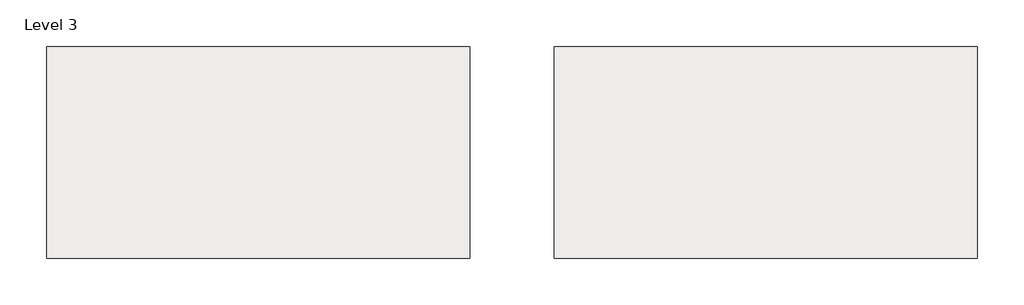
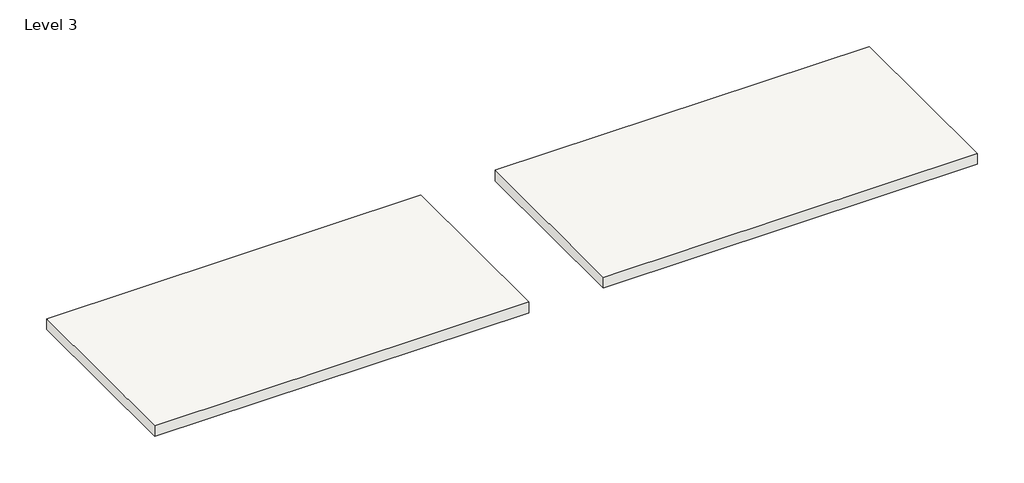
# One storey, part 2 of 2: 2 slabs.
"""IFC4 building model written with IfcOpenShell, lengths in millimetres."""

from ifc_helpers import new_model, si_unit, frame, origin, place, context, project, spatial, polyline, outline, extrude, element, save

model = new_model("IFC4")

# Units and contexts
model_context = context("Model", 3, world=origin())
ifc_project = project(units=[si_unit("LENGTHUNIT", "METRE", prefix="MILLI")], contexts=[model_context])

# Site, building, storey
site = spatial("IfcSite", under=ifc_project)
building = spatial("IfcBuilding", under=site)
storey = spatial("IfcBuildingStorey", under=building, Name="Level 3", Elevation=8000.0)

# Slabs
placement = place(None, origin())
element("IfcSlab", 1, ObjectType="Generic 300mm", at=placement, inside=storey, context=model_context, shape_type="SweptSolid", body=[
    extrude(outline(polyline([(-820.6583905, 5046.8134722), (9179.3416095, 5046.8134722), (9179.3416095, 46.8134722), (-820.6583905, 46.8134722), (-820.6583905, 5046.8134722)])), frame((0.0, 0.0, 8000.0), z_axis=(0.0, 0.0, 1.0), x_axis=(1.0, 0.0, 0.0)), (0.0, 0.0, 1.0), 300.0),
])
element("IfcSlab", 2, ObjectType="Generic 300mm", at=placement, inside=storey, context=model_context, shape_type="SweptSolid", body=[
    extrude(outline(polyline([(-12820.6583905, 5046.8134722), (-2820.6583905, 5046.8134722), (-2820.6583905, 46.8134722), (-12820.6583905, 46.8134722), (-12820.6583905, 5046.8134722)])), frame((0.0, 0.0, 8000.0), z_axis=(0.0, 0.0, 1.0), x_axis=(1.0, 0.0, 0.0)), (0.0, 0.0, 1.0), 300.0),
])

save(model, "model.ifc")
